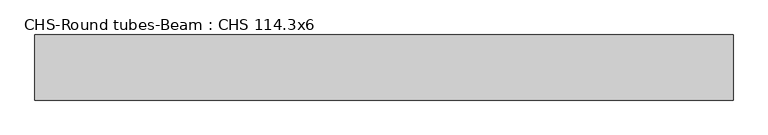
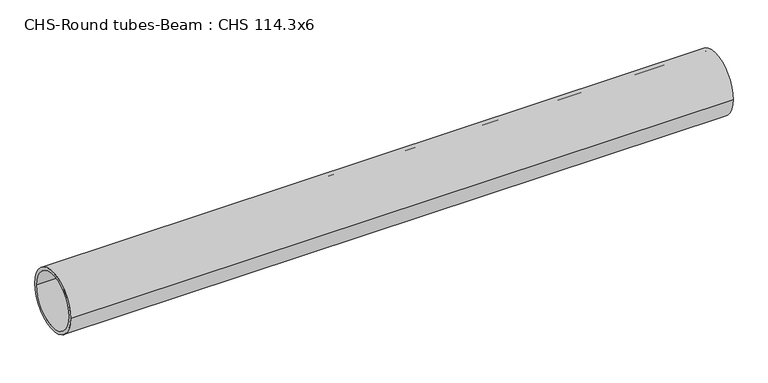
"""IFC4 building model written with IfcOpenShell, lengths in millimetres: beam geometry, CHS-Round tubes-Beam : CHS 114.3x6."""

from ifc_helpers import new_model, si_unit, point, frame, origin, origin_2d, place, context, project, spatial, circle_curve, trimmed, segment, composite_curve, outline, extrude, source, transform, mapped, element, save


def chs_round_tubes_beam_chs_114_3x6_86f55dac(model_context):
    return source(origin(), model_context, "Body", "SweptSolid", [
        extrude(outline(composite_curve([segment(trimmed(circle_curve(origin_2d(), 57.15), [point((57.15, 0.0))], [point((-57.15, 0.0))], False, "CARTESIAN"), True, "CONTINUOUS"), segment(trimmed(circle_curve(origin_2d(), 57.15), [point((-57.15, 0.0))], [point((57.15, 0.0))], False, "CARTESIAN"), True, "CONTINUOUS")], self_intersect=False), holes=[composite_curve([segment(trimmed(circle_curve(origin_2d(), 51.15), [point((51.15, 0.0))], [point((-51.15, 0.0))], True, "CARTESIAN"), True, "CONTINUOUS"), segment(trimmed(circle_curve(origin_2d(), 51.15), [point((-51.15, 0.0))], [point((51.15, 0.0))], True, "CARTESIAN"), True, "CONTINUOUS")], self_intersect=False)]), frame((-614.0165144, 0.0, 0.0), z_axis=(1.0, 0.0, 0.0), x_axis=(0.0, 1.0, 0.0)), (0.0, 0.0, 1.0), 1224.9895676),
    ])


if __name__ == "__main__":
    model = new_model("IFC4")
    model_context = context("Model", 3, world=origin())
    ifc_project = project(units=[si_unit("LENGTHUNIT", "METRE", prefix="MILLI")], contexts=[model_context])
    site = spatial("IfcSite", under=ifc_project)
    building = spatial("IfcBuilding", under=site)
    placement = place(None, origin())
    chs_round_tubes_beam_chs_114_3x6_shape = chs_round_tubes_beam_chs_114_3x6_86f55dac(model_context)
    element("IfcBeam", 1, ObjectType="CHS-Round tubes-Beam : CHS 114.3x6", at=placement, inside=building, context=model_context, shape_type="MappedRepresentation", body=[
        mapped(chs_round_tubes_beam_chs_114_3x6_shape, transform((0.0, 0.0, 0.0), x_axis=(1.0, 0.0, 0.0), y_axis=(0.0, 1.0, 0.0), z_axis=(0.0, 0.0, 1.0))),
    ])
    save(model, "model.ifc")
